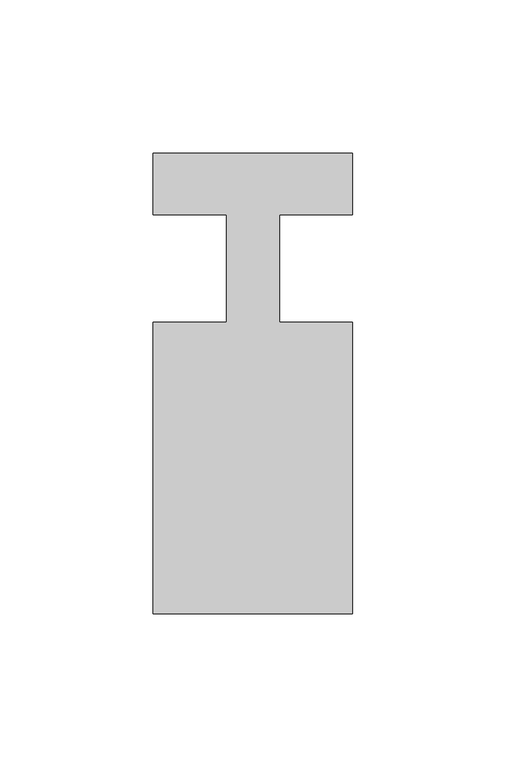
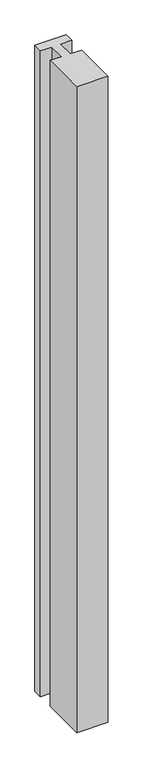
"""IFC4 building model written with IfcOpenShell, lengths in millimetres: member geometry."""

from ifc_helpers import new_model, si_unit, frame, origin, place, context, project, spatial, polyline, outline, extrude, source, transform, mapped, element, save


def member_df3b84fb(model_context):
    return source(origin(), model_context, "Body", "SweptSolid", [
        extrude(outline(polyline([(0.0, 37.0), (0.0, 17.0), (-23.8125, 17.0), (-23.8125, -18.0), (0.0, -18.0), (0.0, -113.0), (-65.0, -113.0), (-65.0, -18.0), (-41.1875, -18.0), (-41.1875, 17.0), (-65.0, 17.0), (-65.0, 37.0), (0.0, 37.0)])), frame((0.0, 0.0, -1418.7435565), z_axis=(0.0, 0.0, 1.0), x_axis=(1.0, 0.0, 0.0)), (0.0, 0.0, 1.0), 1418.7435565),
    ])


if __name__ == "__main__":
    model = new_model("IFC4")
    model_context = context("Model", 3, world=origin())
    ifc_project = project(units=[si_unit("LENGTHUNIT", "METRE", prefix="MILLI")], contexts=[model_context])
    site = spatial("IfcSite", under=ifc_project)
    building = spatial("IfcBuilding", under=site)
    placement = place(None, origin())
    member_shape = member_df3b84fb(model_context)
    element("IfcMember", 1, at=placement, inside=building, context=model_context, shape_type="MappedRepresentation", body=[
        mapped(member_shape, transform((0.0, 0.0, 0.0), x_axis=(1.0, 0.0, 0.0), y_axis=(0.0, 1.0, 0.0), z_axis=(0.0, 0.0, 1.0))),
    ])
    save(model, "model.ifc")
